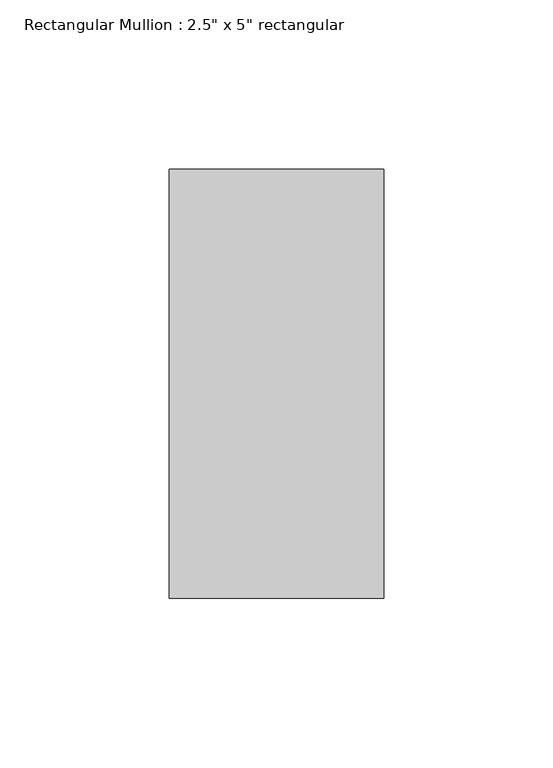
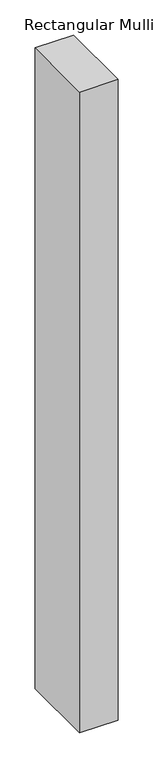
"""IFC4 building model written with IfcOpenShell, lengths in millimetres: member geometry."""

from ifc_helpers import new_model, si_unit, frame, origin, place, context, project, spatial, polyline, outline, extrude, source, transform, mapped, element, save


def member_452dbcd6(model_context):
    return source(origin(), model_context, "Body", "SweptSolid", [
        extrude(outline(polyline([(0.0, 63.5), (0.0, -63.5), (-63.5, -63.5), (-63.5, 63.5), (0.0, 63.5)])), frame((0.0, 0.0, -1115.9626593), z_axis=(0.0, 0.0, 1.0), x_axis=(1.0, 0.0, 0.0)), (0.0, 0.0, 1.0), 1115.9626593),
    ])


if __name__ == "__main__":
    model = new_model("IFC4")
    model_context = context("Model", 3, world=origin())
    ifc_project = project(units=[si_unit("LENGTHUNIT", "METRE", prefix="MILLI")], contexts=[model_context])
    site = spatial("IfcSite", under=ifc_project)
    building = spatial("IfcBuilding", under=site)
    placement = place(None, origin())
    member_shape = member_452dbcd6(model_context)
    element("IfcMember", 1, ObjectType="Rectangular Mullion : 2.5\" x 5\" rectangular", at=placement, inside=building, context=model_context, shape_type="MappedRepresentation", body=[
        mapped(member_shape, transform((0.0, 0.0, 0.0), x_axis=(1.0, 0.0, 0.0), y_axis=(0.0, 1.0, 0.0), z_axis=(0.0, 0.0, 1.0))),
    ])
    save(model, "model.ifc")
